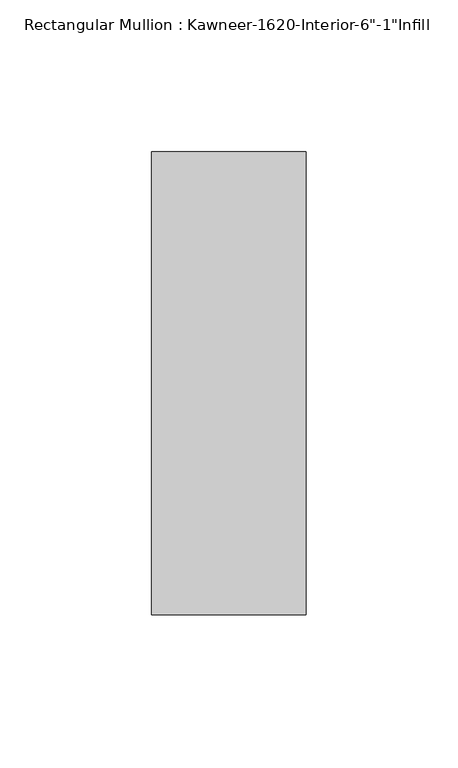
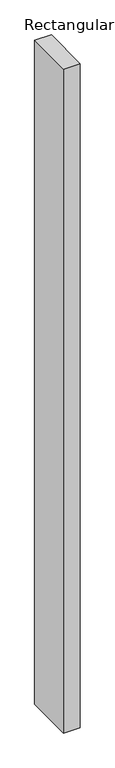
"""IFC4 building model written with IfcOpenShell, lengths in millimetres: member geometry."""

from ifc_helpers import new_model, si_unit, frame, origin, place, context, project, spatial, polyline, outline, extrude, source, transform, mapped, element, save


def member_132bb88a(model_context):
    return source(origin(), model_context, "Body", "SweptSolid", [
        extrude(outline(polyline([(25.4, -114.3), (-25.4, -114.3), (-25.4, 38.1), (25.4, 38.1), (25.4, -114.3)])), frame((0.0, 0.0, -2138.3625), z_axis=(0.0, 0.0, 1.0), x_axis=(1.0, 0.0, 0.0)), (0.0, 0.0, 1.0), 2138.3625),
    ])


if __name__ == "__main__":
    model = new_model("IFC4")
    model_context = context("Model", 3, world=origin())
    ifc_project = project(units=[si_unit("LENGTHUNIT", "METRE", prefix="MILLI")], contexts=[model_context])
    site = spatial("IfcSite", under=ifc_project)
    building = spatial("IfcBuilding", under=site)
    placement = place(None, origin())
    member_shape = member_132bb88a(model_context)
    element("IfcMember", 1, ObjectType="Rectangular Mullion : Kawneer-1620-Interior-6\"-1\"Infill", at=placement, inside=building, context=model_context, shape_type="MappedRepresentation", body=[
        mapped(member_shape, transform((0.0, 0.0, 0.0), x_axis=(1.0, 0.0, 0.0), y_axis=(0.0, 1.0, 0.0), z_axis=(0.0, 0.0, 1.0))),
    ])
    save(model, "model.ifc")
